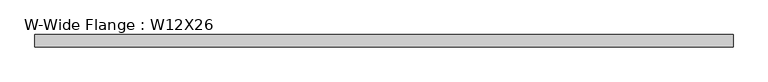
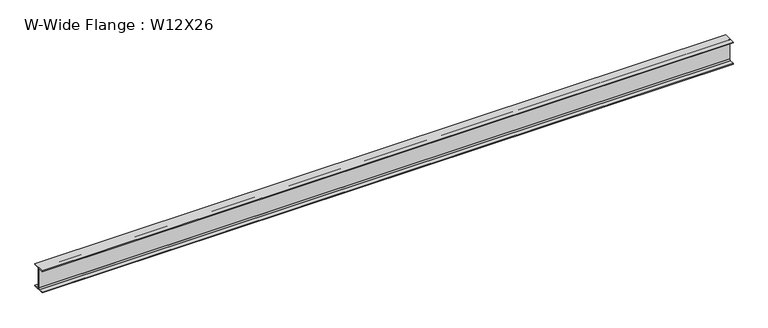
"""IFC4 building model written with IfcOpenShell, lengths in millimetres: beam geometry, W-Wide Flange : W12X26."""

from ifc_helpers import new_model, si_unit, point, frame, frame_2d, origin, place, context, project, spatial, polyline, circle_curve, trimmed, segment, composite_curve, outline, extrude, source, transform, mapped, element, save


def w_wide_flange_w12x26_f2ac80aa(model_context):
    return source(origin(), model_context, "Body", "SweptSolid", [
        extrude(outline(composite_curve([segment(polyline([(82.4011719, -145.5539063), (82.4011719, -155.178125), (-82.4011719, -155.178125), (-82.4011719, -145.5539063), (-20.2902344, -145.5539063)]), True, "CONTINUOUS"), segment(trimmed(circle_curve(frame_2d((-20.2902344, -128.190625)), 17.3632812), [point((-20.2902344, -145.5539063))], [point((-2.9269531, -128.190625))], True, "CARTESIAN"), True, "CONTINUOUS"), segment(polyline([(-2.9269531, -128.190625), (-2.9269531, 128.190625)]), True, "CONTINUOUS"), segment(trimmed(circle_curve(frame_2d((-20.2902344, 128.190625)), 17.3632812), [point((-2.9269531, 128.190625))], [point((-20.2902344, 145.5539062))], True, "CARTESIAN"), True, "CONTINUOUS"), segment(polyline([(-20.2902344, 145.5539062), (-82.4011719, 145.5539062), (-82.4011719, 155.178125), (82.4011719, 155.178125), (82.4011719, 145.5539062), (20.2902344, 145.5539062)]), True, "CONTINUOUS"), segment(trimmed(circle_curve(frame_2d((20.2902344, 128.190625)), 17.3632812), [point((20.2902344, 145.5539062))], [point((2.9269531, 128.190625))], True, "CARTESIAN"), True, "CONTINUOUS"), segment(polyline([(2.9269531, 128.190625), (2.9269531, -128.190625)]), True, "CONTINUOUS"), segment(trimmed(circle_curve(frame_2d((20.2902344, -128.190625)), 17.3632812), [point((2.9269531, -128.190625))], [point((20.2902344, -145.5539063))], True, "CARTESIAN"), True, "CONTINUOUS"), segment(polyline([(20.2902344, -145.5539063), (82.4011719, -145.5539063)]), True, "CONTINUOUS")], self_intersect=False)), frame((-4597.4, 0.0, 0.0), z_axis=(1.0, 0.0, 0.0), x_axis=(0.0, 1.0, 0.0)), (0.0, 0.0, 1.0), 9182.0999994),
    ])


if __name__ == "__main__":
    model = new_model("IFC4")
    model_context = context("Model", 3, world=origin())
    ifc_project = project(units=[si_unit("LENGTHUNIT", "METRE", prefix="MILLI")], contexts=[model_context])
    site = spatial("IfcSite", under=ifc_project)
    building = spatial("IfcBuilding", under=site)
    placement = place(None, origin())
    w_wide_flange_w12x26_shape = w_wide_flange_w12x26_f2ac80aa(model_context)
    element("IfcBeam", 1, ObjectType="W-Wide Flange : W12X26", at=placement, inside=building, context=model_context, shape_type="MappedRepresentation", body=[
        mapped(w_wide_flange_w12x26_shape, transform((0.0, 0.0, 0.0), x_axis=(1.0, 0.0, 0.0), y_axis=(0.0, 1.0, 0.0), z_axis=(0.0, 0.0, 1.0))),
    ])
    save(model, "model.ifc")
